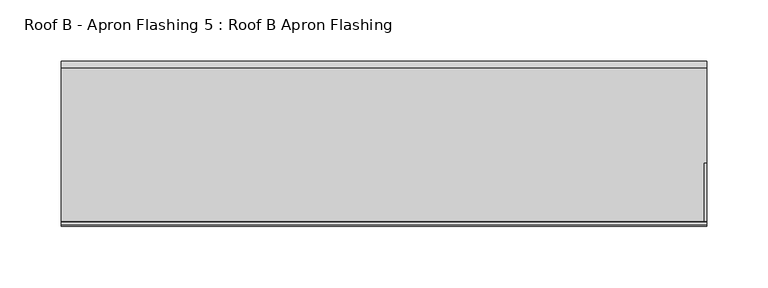
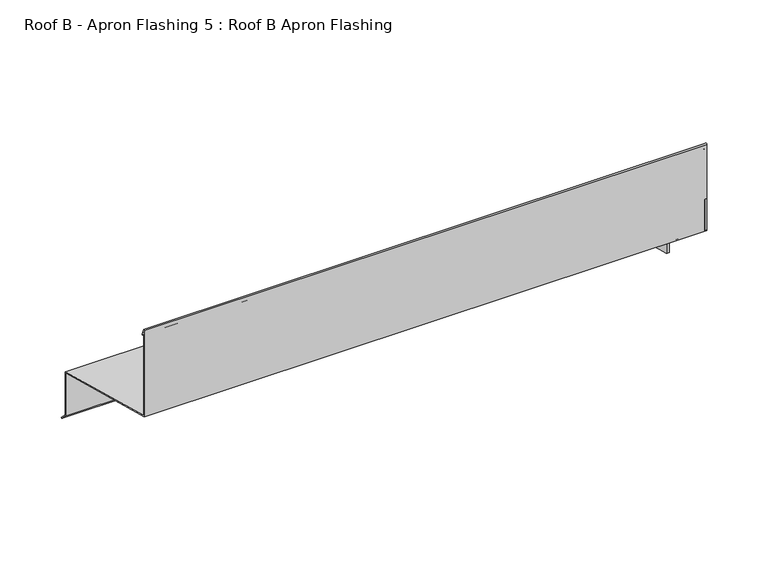
"""IFC4 building model written with IfcOpenShell, lengths in millimetres: proxy geometry, Roof B - Apron Flashing 5 : Roof B Apron Flashing."""

from ifc_helpers import new_model, si_unit, point, frame, frame_2d, origin, place, context, project, spatial, polyline, circle_curve, trimmed, segment, composite_curve, outline, extrude, source, transform, mapped, element, save


def roof_b_apron_flashing_5_roof_b_apron_flashing_229c874e(model_context):
    return source(origin(), model_context, "Body", "SweptSolid", [
        extrude(outline(polyline([(673.2344915, -388.7215885), (606.1115096, -370.7360397), (606.1115096, -328.1148318), (673.2344915, -346.1003806), (673.2344915, -388.7215885)])), frame((13694.3541786, 0.0, 0.0), z_axis=(1.0, 0.0, 0.0), x_axis=(0.0, 1.0, 0.0)), (0.0, 0.0, 1.0), 2.0),
        extrude(outline(polyline([(596.7171519, -324.5623451), (544.8615096, -310.6676676), (544.8615096, -279.7934577), (596.7171519, -293.6881352), (596.7171519, -324.5623451)])), frame((13694.3541786, 0.0, 0.0), z_axis=(1.0, 0.0, 0.0), x_axis=(0.0, 1.0, 0.0)), (0.0, 0.0, 1.0), 2.0),
        extrude(outline(composite_curve([segment(polyline([(674.2344915, -345.3330536), (674.2344915, -388.338713), (680.2651268, -394.3693483), (679.55802, -395.0764551), (673.2344915, -388.7529266), (673.2344915, -346.1003806), (544.8615096, -311.7029438), (544.8615096, -225.8538686)]), True, "CONTINUOUS"), segment(trimmed(circle_curve(frame_2d((545.5405538, -225.8538686)), 0.6790442), [point((544.8615096, -225.8538686))], [point((546.1701526, -225.5994942))], False, "CARTESIAN"), True, "CONTINUOUS"), segment(polyline([(546.1701526, -225.5994942), (548.5846074, -231.5754797)]), True, "CONTINUOUS"), segment(trimmed(circle_curve(frame_2d((548.1210155, -231.762783)), 0.5), [point((548.5846074, -231.5754797))], [point((547.6574236, -231.9500863))], False, "CARTESIAN"), True, "CONTINUOUS"), segment(polyline([(547.6574236, -231.9500863), (545.8615096, -227.5050431), (545.8615096, -310.9356168), (674.2344915, -345.3330536)]), True, "CONTINUOUS")], self_intersect=False)), frame((13167.4791786, 0.0, 0.0), z_axis=(1.0, 0.0, 0.0), x_axis=(0.0, 1.0, 0.0)), (0.0, 0.0, 1.0), 528.875),
    ])


if __name__ == "__main__":
    model = new_model("IFC4")
    model_context = context("Model", 3, world=origin())
    ifc_project = project(units=[si_unit("LENGTHUNIT", "METRE", prefix="MILLI")], contexts=[model_context])
    site = spatial("IfcSite", under=ifc_project)
    building = spatial("IfcBuilding", under=site)
    placement = place(None, origin())
    roof_b_apron_flashing_5_roof_b_apron_flashing_shape = roof_b_apron_flashing_5_roof_b_apron_flashing_229c874e(model_context)
    element("IfcBuildingElementProxy", 1, Name="Roof B - Apron Flashing 5 : Roof B Apron Flashing", ObjectType="Roof B - Apron Flashing 5 : Roof B Apron Flashing", at=placement, inside=building, context=model_context, shape_type="MappedRepresentation", body=[
        mapped(roof_b_apron_flashing_5_roof_b_apron_flashing_shape, transform((0.0, 0.0, 0.0), x_axis=(1.0, 0.0, 0.0), y_axis=(0.0, 1.0, 0.0), z_axis=(0.0, 0.0, 1.0))),
    ])
    save(model, "model.ifc")
